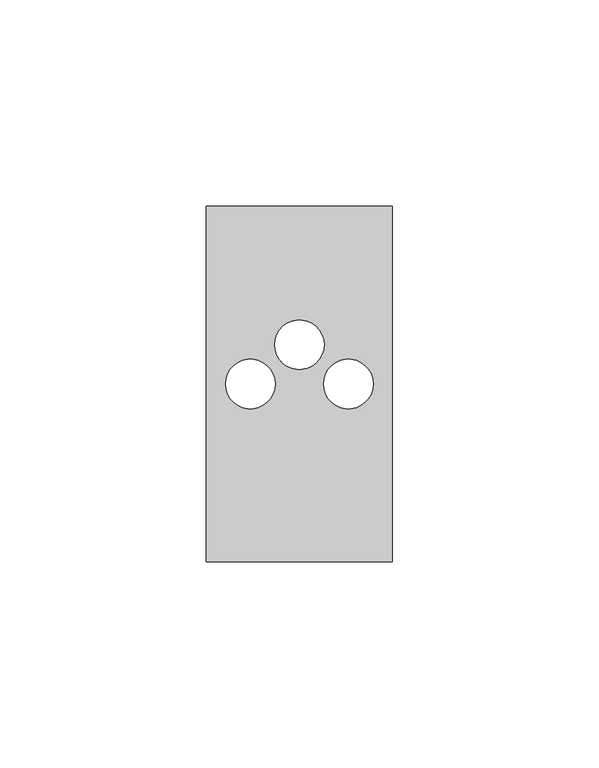
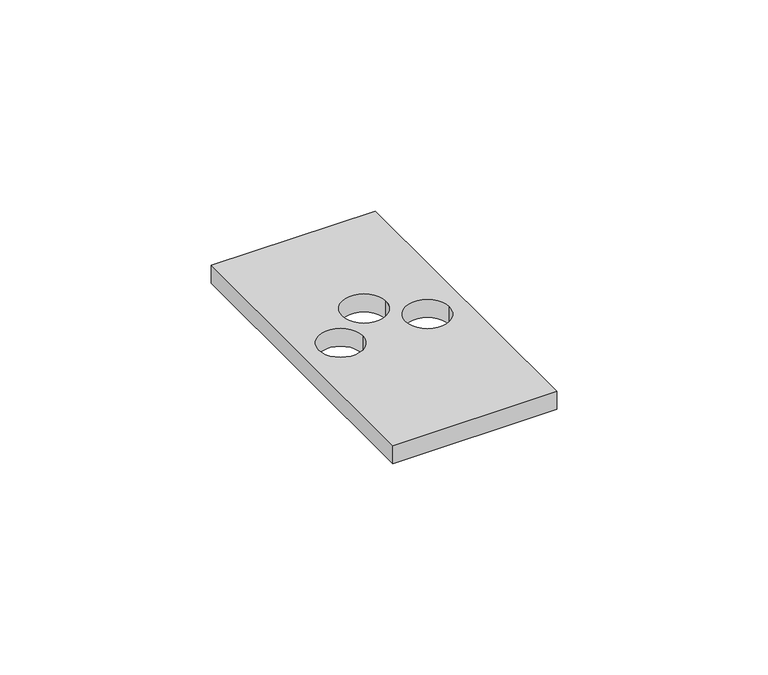
"""IFC4 building model written with IfcOpenShell, lengths in millimetres: proxy geometry."""

from ifc_helpers import new_model, si_unit, point, frame, frame_2d, origin, place, context, project, spatial, polyline, circle_curve, trimmed, segment, composite_curve, outline, extrude, source, transform, mapped, element, save


def electrical_fixtures_d29aa265(model_context):
    return source(origin(), model_context, "Body", "SweptSolid", [
        extrude(outline(polyline([(0.0, 0.0), (0.0, 86.0), (45.0, 86.0), (45.0, 0.0), (0.0, 0.0)]), holes=[composite_curve([segment(trimmed(circle_curve(frame_2d((10.625, 43.0)), 6.0), [point((4.625, 43.0))], [point((16.625, 43.0))], True, "CARTESIAN"), True, "CONTINUOUS"), segment(trimmed(circle_curve(frame_2d((10.625, 43.0)), 6.0), [point((16.625, 43.0))], [point((4.625, 43.0))], True, "CARTESIAN"), True, "CONTINUOUS")], self_intersect=False), composite_curve([segment(trimmed(circle_curve(frame_2d((34.375, 43.0)), 6.0), [point((40.375, 43.0))], [point((28.375, 43.0))], True, "CARTESIAN"), True, "CONTINUOUS"), segment(trimmed(circle_curve(frame_2d((34.375, 43.0)), 6.0), [point((28.375, 43.0))], [point((40.375, 43.0))], True, "CARTESIAN"), True, "CONTINUOUS")], self_intersect=False), composite_curve([segment(trimmed(circle_curve(frame_2d((22.5, 52.5)), 6.0), [point((28.5, 52.5))], [point((16.5, 52.5))], True, "CARTESIAN"), True, "CONTINUOUS"), segment(trimmed(circle_curve(frame_2d((22.5, 52.5)), 6.0), [point((16.5, 52.5))], [point((28.5, 52.5))], True, "CARTESIAN"), True, "CONTINUOUS")], self_intersect=False)]), frame((0.0, 0.0, 5.5), z_axis=(0.0, 0.0, 1.0), x_axis=(1.0, 0.0, 0.0)), (0.0, 0.0, 1.0), 5.2),
    ])


if __name__ == "__main__":
    model = new_model("IFC4")
    model_context = context("Model", 3, world=origin())
    ifc_project = project(units=[si_unit("LENGTHUNIT", "METRE", prefix="MILLI")], contexts=[model_context])
    site = spatial("IfcSite", under=ifc_project)
    building = spatial("IfcBuilding", under=site)
    placement = place(None, origin())
    electrical_fixtures_shape = electrical_fixtures_d29aa265(model_context)
    element("IfcBuildingElementProxy", 1, Name="Electrical Fixtures", at=placement, inside=building, context=model_context, shape_type="MappedRepresentation", body=[
        mapped(electrical_fixtures_shape, transform((0.0, 0.0, 0.0), x_axis=(1.0, 0.0, 0.0), y_axis=(0.0, 1.0, 0.0), z_axis=(0.0, 0.0, 1.0))),
    ])
    save(model, "model.ifc")
